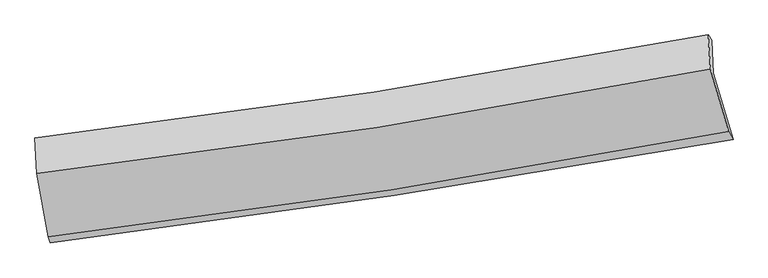
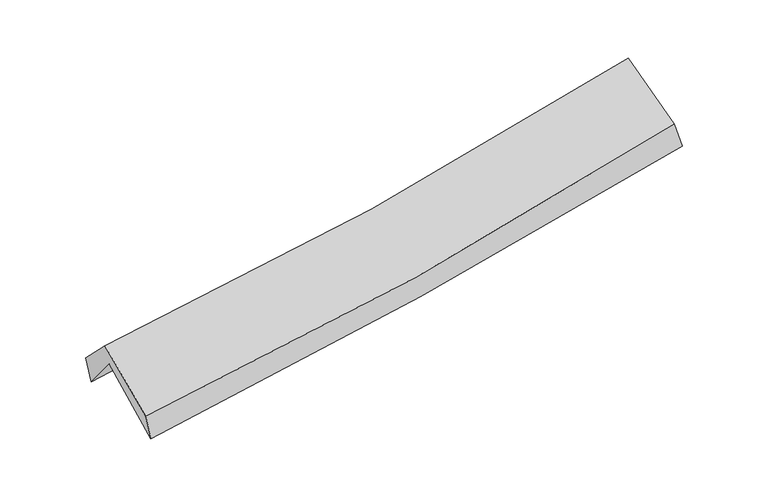
"""IFC4 building model written with IfcOpenShell, lengths in millimetres: proxy geometry."""

from ifc_helpers import new_model, si_unit, frame, origin, place, context, project, spatial, source, transform, mapped, element, save
from ifc_brep_helpers import plane_surface, spline_curve, spline_surface, advanced_brep


def generic_models_b58bafa0(model_context):
    return source(origin(), model_context, "Body", "AdvancedBrep", [
        advanced_brep(
        [(-2540.4219543, -2478.6225659, 1472.6372913), (-2628.2872383, -1980.7819941, 1910.9833017), (2550.0667865, -1173.3141691, 2372.5368197), (2701.0875272, -1684.6962995, 1942.8718291), (-2639.2836672, -1725.5480161, 1592.0869827), (2538.3814068, -918.0980231, 2064.6743827), (-2658.5628386, -1671.7559652, 1795.6756582), (2510.1936436, -878.105024, 2232.5895345), (-2642.749813, -1942.0211779, 2066.7929692), (2527.0114254, -1142.2659196, 2512.5084245), (-2557.7909649, -2432.7181717, 1661.0101425), (2667.1744195, -1623.3160752, 2123.9120709)],
        [
            (0, 1),
            (1, 2, spline_curve(3, [(-2628.2872383, -1980.7819941, 1910.9833017), (-1753.597051918, -1877.792018177, 1953.925120994), (-882.937943847, -1758.660071355, 2014.090970295), (843.113317353, -1489.236849608, 2168.227339652), (1698.572217599, -1339.212854756, 2261.912663283), (2550.0667865, -1173.3141691, 2372.5368197)], [4, 2, 4], [0.0, 8.71917715037478, 17.365866554558806])),
            (2, 3),
            (3, 0, spline_curve(3, [(2701.0875272, -1684.6962995, 1942.8718291), (1836.416148415, -1838.24153033, 1846.659809142), (969.122232495, -1980.943952978, 1759.493241782), (-778.003439158, -2245.768600643, 1602.596098478), (-1657.879350508, -2367.708266676, 1533.017820346), (-2540.4219543, -2478.6225659, 1472.6372913)], [4, 2, 4], [0.0, 8.646689404184027, 17.365866554558806])),
            (1, 4),
            (4, 5, spline_curve(3, [(-2639.2836672, -1725.5480161, 1592.0869827), (-1766.555357617, -1614.518485134, 1644.259517419), (-896.930986324, -1491.385038597, 1709.9486415), (828.905976543, -1222.034623461, 1867.701583527), (1685.169963133, -1076.018072157, 1959.541592864), (2538.3814068, -918.0980231, 2064.6743827)], [4, 2, 4], [0.0, 8.669810580483, 17.267543828662582])),
            (5, 2),
            (4, 6),
            (6, 7, spline_curve(3, [(-2658.5628386, -1671.7559652, 1795.6756582), (-1786.791532927, -1568.695485288, 1839.032315933), (-918.392259224, -1450.68947324, 1897.334237558), (804.470733841, -1185.891690045, 2043.21966148), (1658.990287467, -1039.347388462, 2130.555698377), (2510.1936436, -878.105024, 2232.5895345)], [4, 2, 4], [0.0, 8.658168821049305, 17.24435709471979])),
            (7, 5),
            (6, 8),
            (8, 9, spline_curve(3, [(-2642.749813, -1942.0211779, 2066.7929692), (-1770.018352835, -1840.87396733, 2110.040600344), (-901.056575574, -1723.307647916, 2169.027837089), (822.134751676, -1456.450692863, 2317.860273075), (1676.426720849, -1307.431926071, 2407.444854744), (2527.0114254, -1142.2659196, 2512.5084245)], [4, 2, 4], [0.0, 8.64955448406712, 17.22720003690245])),
            (9, 7),
            (8, 10),
            (10, 11, spline_curve(3, [(-2557.7909649, -2432.7181717, 1661.0101425), (-1675.229517076, -2327.902760746, 1704.999058412), (-796.734431401, -2207.699368644, 1765.79957801), (944.853365662, -1937.64387452, 1920.378588486), (1808.013408147, -1788.046567542, 2013.878711681), (2667.1744195, -1623.3160752, 2123.9120709)], [4, 2, 4], [0.0, 8.699172896206113, 17.326024353577537])),
            (11, 9),
            (10, 0),
            (3, 11),
        ],
        [
            spline_surface(3, 3, [[(-2540.4219543, -2478.6225659, 1472.6372913), (-1657.879350586, -2367.708266734, 1533.017820284), (-778.003439266, -2245.768600687, 1602.59609861), (969.122232603, -1980.943952934, 1759.493241651), (1836.416148418, -1838.24153021, 1846.659809236), (2701.0875272, -1684.6962995, 1942.8718291)], [(-2569.710382307, -2312.67570865, 1618.752628096), (-1689.785251059, -2204.402850539, 1673.320253855), (-812.981607495, -2083.399090924, 1739.761055791), (927.119260864, -1817.041585165, 1895.737941016), (1790.468171466, -1671.898638387, 1985.077427237), (2650.747280281, -1514.235589384, 2086.093492631)], [(-2598.998810293, -2146.72885135, 1764.867964904), (-1721.69115151, -2041.097434295, 1813.622687438), (-847.959775689, -1921.02958113, 1876.926012995), (885.116289162, -1653.139217366, 2031.982640404), (1744.520194571, -1505.555746512, 2123.495045244), (2600.407033419, -1343.774879216, 2229.315156169)], [(-2628.2872383, -1980.7819941, 1910.9833017), (-1753.597051983, -1877.7920181, 1953.925121009), (-882.937943919, -1758.660071367, 2014.090970176), (843.113317424, -1489.236849597, 2168.22733977), (1698.572217619, -1339.21285469, 2261.912663244), (2550.0667865, -1173.3141691, 2372.5368197)]], [4, 4], [4, 2, 4], [0.0, 2.1288039820409828], [0.0, 8.71917715037478, 17.365866554558806]),
            spline_surface(3, 3, [[(-2628.2872383, -1980.7819941, 1910.9833017), (-1753.597051983, -1877.7920181, 1953.925121009), (-882.937943919, -1758.660071367, 2014.090970176), (843.113317424, -1489.236849597, 2168.22733977), (1698.572217619, -1339.21285469, 2261.912663244), (2550.0667865, -1173.3141691, 2372.5368197)], [(-2631.952714581, -1895.704001406, 1804.684528722), (-1757.916487196, -1790.034173784, 1850.703253168), (-887.602291357, -1669.568393773, 1912.710193957), (838.377537119, -1400.169440833, 2068.052087727), (1694.104799454, -1251.481260551, 2161.122306458), (2546.171659959, -1088.242120445, 2269.916007358)], [(-2635.618190919, -1810.626008794, 1698.385755678), (-1762.235922466, -1702.27632955, 1747.481385261), (-892.266638824, -1580.476716263, 1811.329417671), (833.641756787, -1311.102032152, 1967.876835617), (1689.637381211, -1163.749666375, 2060.331949697), (2542.276533341, -1003.170071755, 2167.295195042)], [(-2639.2836672, -1725.5480161, 1592.0869827), (-1766.555357679, -1614.518485235, 1644.25951742), (-896.930986263, -1491.385038669, 1709.948641452), (828.905976482, -1222.034623389, 1867.701583575), (1685.169963046, -1076.018072236, 1959.541592911), (2538.3814068, -918.0980231, 2064.6743827)]], [4, 4], [4, 2, 4], [0.0, 1.3247056562621111], [0.0, 8.669810580483, 17.267543828662582]),
            spline_surface(3, 3, [[(-2639.2836672, -1725.5480161, 1592.0869827), (-1766.555357679, -1614.518485235, 1644.25951742), (-896.930986263, -1491.385038669, 1709.948641452), (828.905976482, -1222.034623389, 1867.701583575), (1685.169963046, -1076.018072236, 1959.541592911), (2538.3814068, -918.0980231, 2064.6743827)], [(-2645.710057674, -1707.617332474, 1659.949874528), (-1773.300749405, -1599.244151949, 1709.18378359), (-904.084743909, -1477.819850185, 1772.410506855), (820.760895591, -1209.986978971, 1926.207609494), (1676.443404537, -1063.794510991, 2016.546294743), (2528.985485713, -904.767023398, 2120.646099964)], [(-2652.136448126, -1689.686648826, 1727.812766372), (-1780.046141109, -1583.969818641, 1774.108049776), (-911.23850155, -1464.254661667, 1834.872372281), (812.615814705, -1197.93933452, 1984.713635436), (1667.716846089, -1051.570949752, 2073.550996583), (2519.589564687, -891.436023702, 2176.617817236)], [(-2658.5628386, -1671.7559652, 1795.6756582), (-1786.791532835, -1568.695485355, 1839.032315946), (-918.392259196, -1450.689473182, 1897.334237683), (804.470733814, -1185.891690102, 2043.219661355), (1658.99028758, -1039.347388508, 2130.555698415), (2510.1936436, -878.105024, 2232.5895345)]], [4, 4], [4, 2, 4], [0.0, 0.6133182456374037], [0.0, 8.658168821049305, 17.24435709471979]),
            spline_surface(3, 3, [[(-2658.5628386, -1671.7559652, 1795.6756582), (-1786.791532835, -1568.695485355, 1839.032315946), (-918.392259196, -1450.689473182, 1897.334237683), (804.470733814, -1185.891690102, 2043.219661355), (1658.99028758, -1039.347388508, 2130.555698415), (2510.1936436, -878.105024, 2232.5895345)], [(-2653.291830062, -1761.844369439, 1886.048095181), (-1781.200472814, -1659.421646004, 1929.368410686), (-912.613698024, -1541.562198096, 1987.898770783), (810.358739785, -1276.078024352, 2134.76653195), (1664.802431979, -1128.708901029, 2222.852083886), (2515.799570874, -966.158655847, 2325.895831189)], [(-2648.020821538, -1851.932773661, 1976.420532219), (-1775.609412806, -1750.147806636, 2019.704505484), (-906.835136826, -1632.434923012, 2078.463303903), (816.246745783, -1366.264358603, 2226.313402566), (1670.614576356, -1218.070413608, 2315.14846929), (2521.405498126, -1054.212287753, 2419.202127811)], [(-2642.749813, -1942.0211779, 2066.7929692), (-1770.018352785, -1840.873967285, 2110.040600224), (-901.056575654, -1723.307647926, 2169.027837003), (822.134751754, -1456.450692853, 2317.860273161), (1676.426720755, -1307.431926129, 2407.444854762), (2527.0114254, -1142.2659196, 2512.5084245)]], [4, 4], [4, 2, 4], [0.0, 1.265080779415653], [0.0, 8.64955448406712, 17.22720003690245]),
            spline_surface(3, 3, [[(-2642.749813, -1942.0211779, 2066.7929692), (-1770.018352785, -1840.873967285, 2110.040600224), (-901.056575654, -1723.307647926, 2169.027837003), (822.134751754, -1456.450692853, 2317.860273161), (1676.426720755, -1307.431926129, 2407.444854762), (2527.0114254, -1142.2659196, 2512.5084245)], [(-2614.430196978, -2105.586842492, 1931.53202698), (-1738.422074215, -2003.216898454, 1975.02675292), (-866.282527543, -1884.771554849, 2034.618417295), (863.040956387, -1616.848420033, 2185.366378313), (1720.288949848, -1467.636806647, 2276.256140433), (2573.732423424, -1302.615971467, 2382.976306626)], [(-2586.110580922, -2269.152507108, 1796.27108472), (-1706.825795611, -2165.559829648, 1840.012905577), (-831.508479467, -2046.23546181, 1900.208997587), (903.947160985, -1777.246147251, 2052.872483464), (1764.15117897, -1627.841687164, 2145.067426125), (2620.453421476, -1462.966023333, 2253.444188774)], [(-2557.7909649, -2432.7181717, 1661.0101425), (-1675.229517041, -2327.902760817, 1704.999058273), (-796.734431356, -2207.699368733, 1765.799577879), (944.853365618, -1937.643874431, 1920.378588616), (1808.013408062, -1788.046567681, 2013.878711797), (2667.1744195, -1623.3160752, 2123.9120709)]], [4, 4], [4, 2, 4], [0.0, 2.091195626570972], [0.0, 8.699172896206113, 17.326024353577537]),
            spline_surface(3, 3, [[(-2557.7909649, -2432.7181717, 1661.0101425), (-1675.229517041, -2327.902760817, 1704.999058273), (-796.734431356, -2207.699368733, 1765.799577879), (944.853365618, -1937.643874431, 1920.378588616), (1808.013408062, -1788.046567681, 2013.878711797), (2667.1744195, -1623.3160752, 2123.9120709)], [(-2552.001294698, -2448.019636439, 1598.219192094), (-1669.44612822, -2341.171262795, 1647.671978937), (-790.490767325, -2220.389112738, 1711.398418123), (952.942987947, -1952.077233952, 1866.750139627), (1817.480988196, -1804.778221849, 1958.139077608), (2678.478788749, -1643.776149958, 2063.565323631)], [(-2546.211624502, -2463.321101161, 1535.428241706), (-1663.662739407, -2354.439764756, 1590.34489962), (-784.247103297, -2233.078856682, 1656.997258367), (961.032610273, -1966.510593413, 1813.121690639), (1826.948568284, -1821.509876042, 1902.399443425), (2689.783157951, -1664.236224742, 2003.218576369)], [(-2540.4219543, -2478.6225659, 1472.6372913), (-1657.879350586, -2367.708266734, 1533.017820284), (-778.003439266, -2245.768600687, 1602.59609861), (969.122232603, -1980.943952934, 1759.493241651), (1836.416148418, -1838.24153021, 1846.659809236), (2701.0875272, -1684.6962995, 1942.8718291)]], [4, 4], [4, 2, 4], [0.0, 0.5526671536201039], [0.0, 8.757204143127336, 17.44160439887863]),
            plane_surface(frame((2582.3192015, -1236.6325851, 2208.1821769), z_axis=(0.9749410881279058, 0.1880377091493038, 0.11887680437266604), x_axis=(0.2210481214193386, -0.7586541220043328, -0.6128471678834916))),
            plane_surface(frame((-2611.1827461, -2038.5746485, 1749.8643909), z_axis=(-0.9908047936635439, -0.12022666882512961, -0.06205972088686113), x_axis=(-0.0892265876993718, 0.23581610657427585, 0.9676928127911648))),
        ],
        [
            (0, [[1, 2, 3, 4]]),
            (1, [[5, 6, 7, -2]]),
            (2, [[8, 9, 10, -6]]),
            (3, [[11, 12, 13, -9]]),
            (4, [[14, 15, 16, -12]]),
            (5, [[17, -4, 18, -15]]),
            (6, [[-16, -18, -3, -7, -10, -13]]),
            (7, [[-17, -14, -11, -8, -5, -1]]),
        ],
    ),
    ])


if __name__ == "__main__":
    model = new_model("IFC4")
    model_context = context("Model", 3, world=origin())
    ifc_project = project(units=[si_unit("LENGTHUNIT", "METRE", prefix="MILLI")], contexts=[model_context])
    site = spatial("IfcSite", under=ifc_project)
    building = spatial("IfcBuilding", under=site)
    placement = place(None, origin())
    generic_models_shape = generic_models_b58bafa0(model_context)
    element("IfcBuildingElementProxy", 1, Name="Generic Models", at=placement, inside=building, context=model_context, shape_type="MappedRepresentation", body=[
        mapped(generic_models_shape, transform((0.0, 0.0, 0.0), x_axis=(1.0, 0.0, 0.0), y_axis=(0.0, 1.0, 0.0), z_axis=(0.0, 0.0, 1.0))),
    ])
    save(model, "model.ifc")
